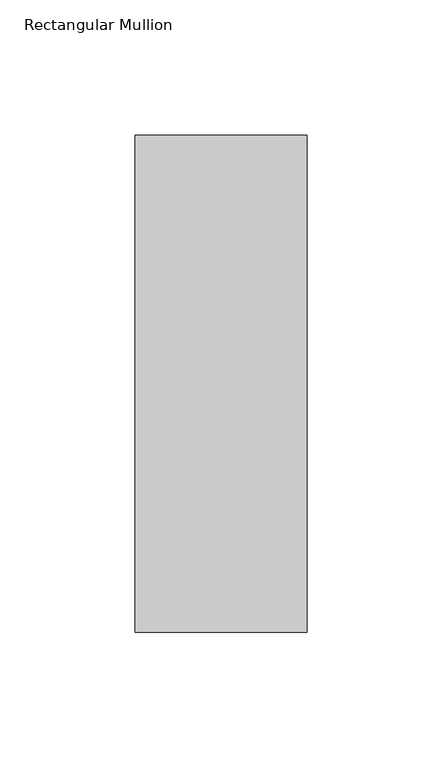
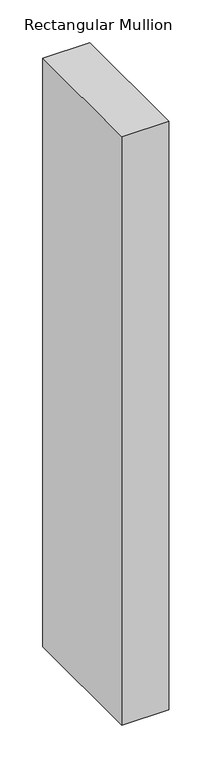
"""IFC4 building model written with IfcOpenShell, lengths in millimetres: member geometry, Rectangular Mullion."""

from ifc_helpers import new_model, si_unit, frame, origin, place, context, project, spatial, polyline, outline, extrude, source, transform, mapped, element, save


def rectangular_mullion_20a540e3(model_context):
    return source(origin(), model_context, "Body", "SweptSolid", [
        extrude(outline(polyline([(-31.75, 75.803125), (-31.75, 259.4710136), (31.75, 259.4710136), (31.75, 75.803125), (-31.75, 75.803125)])), frame((0.0, 0.0, -838.2), z_axis=(0.0, 0.0, 1.0), x_axis=(1.0, 0.0, 0.0)), (0.0, 0.0, 1.0), 838.2),
    ])


if __name__ == "__main__":
    model = new_model("IFC4")
    model_context = context("Model", 3, world=origin())
    ifc_project = project(units=[si_unit("LENGTHUNIT", "METRE", prefix="MILLI")], contexts=[model_context])
    site = spatial("IfcSite", under=ifc_project)
    building = spatial("IfcBuilding", under=site)
    placement = place(None, origin())
    rectangular_mullion_shape = rectangular_mullion_20a540e3(model_context)
    element("IfcMember", 1, ObjectType="Rectangular Mullion", at=placement, inside=building, context=model_context, shape_type="MappedRepresentation", body=[
        mapped(rectangular_mullion_shape, transform((0.0, 0.0, 0.0), x_axis=(1.0, 0.0, 0.0), y_axis=(0.0, 1.0, 0.0), z_axis=(0.0, 0.0, 1.0))),
    ])
    save(model, "model.ifc")
